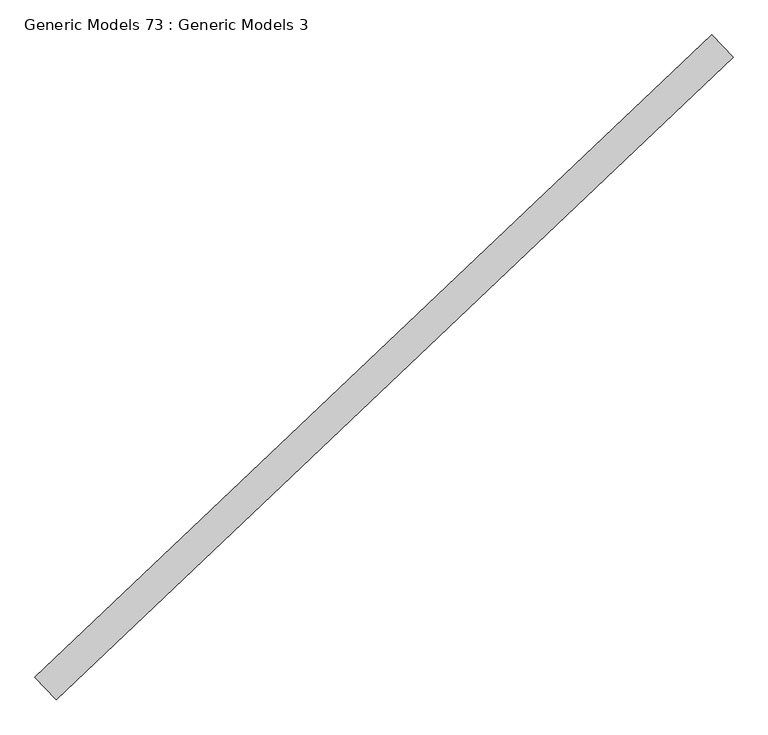
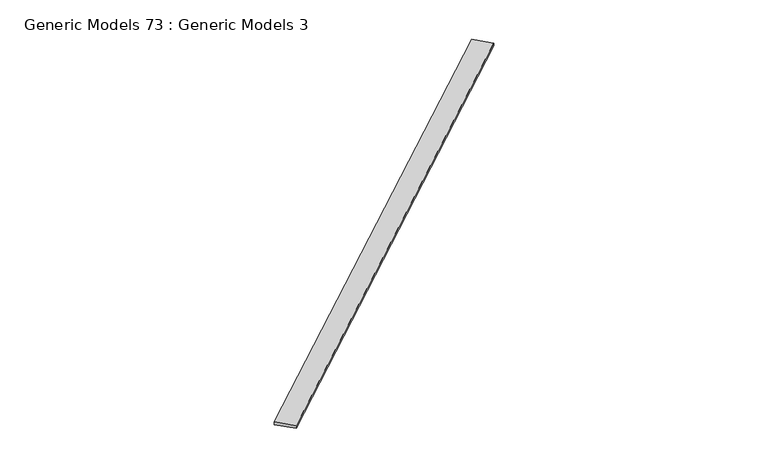
"""IFC4 building model written with IfcOpenShell, lengths in millimetres: proxy geometry, Generic Models 73 : Generic Models 3."""

from ifc_helpers import new_model, si_unit, frame, origin, place, context, project, spatial, polyline, outline, extrude, source, transform, mapped, element, save


def generic_models_73_generic_models_3_134fde96(model_context):
    return source(origin(), model_context, "Body", "SweptSolid", [
        extrude(outline(polyline([(111100.9586932, 51933.4985893), (111203.342824, 51825.6082272), (107916.8710269, 48706.8629422), (107814.4868961, 48814.7533044), (111100.9586932, 51933.4985893)])), frame((0.0, 0.0, 18504.9833224), z_axis=(0.0, 0.0, 1.0), x_axis=(1.0, 0.0, 0.0)), (0.0, 0.0, 1.0), 21.9396403),
    ])


if __name__ == "__main__":
    model = new_model("IFC4")
    model_context = context("Model", 3, world=origin())
    ifc_project = project(units=[si_unit("LENGTHUNIT", "METRE", prefix="MILLI")], contexts=[model_context])
    site = spatial("IfcSite", under=ifc_project)
    building = spatial("IfcBuilding", under=site)
    placement = place(None, origin())
    generic_models_73_generic_models_3_shape = generic_models_73_generic_models_3_134fde96(model_context)
    element("IfcBuildingElementProxy", 1, Name="Generic Models 73 : Generic Models 3", ObjectType="Generic Models 73 : Generic Models 3", at=placement, inside=building, context=model_context, shape_type="MappedRepresentation", body=[
        mapped(generic_models_73_generic_models_3_shape, transform((0.0, 0.0, 0.0), x_axis=(1.0, 0.0, 0.0), y_axis=(0.0, 1.0, 0.0), z_axis=(0.0, 0.0, 1.0))),
    ])
    save(model, "model.ifc")
